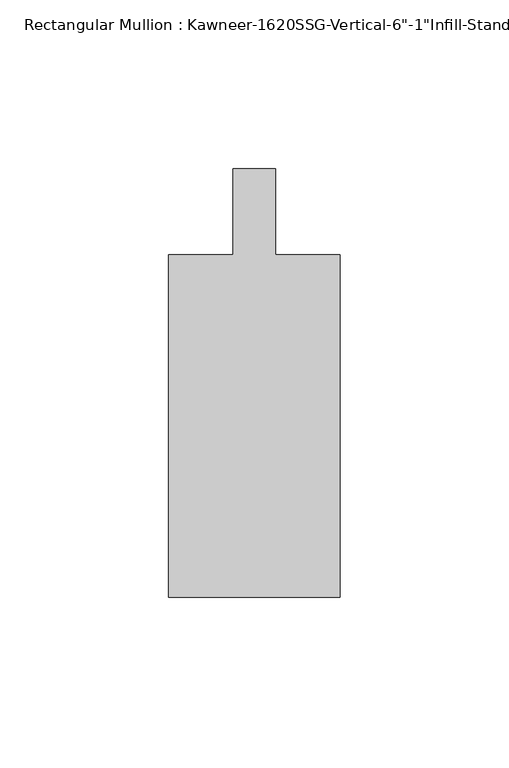
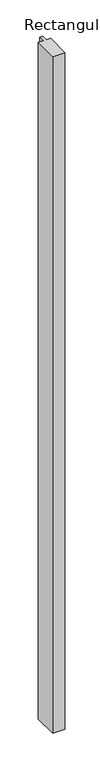
"""IFC4 building model written with IfcOpenShell, lengths in millimetres: member geometry."""

from ifc_helpers import new_model, si_unit, frame, origin, place, context, project, spatial, polyline, outline, extrude, source, transform, mapped, element, save


def member_0cc03f91(model_context):
    return source(origin(), model_context, "Body", "SweptSolid", [
        extrude(outline(polyline([(25.4, -114.3), (-25.4, -114.3), (-25.4, -12.7), (-6.35, -12.7), (-6.35, 12.7), (6.35, 12.7), (6.35, -12.7), (25.4, -12.7), (25.4, -114.3)])), frame((0.0, 0.0, -2959.1), z_axis=(0.0, 0.0, 1.0), x_axis=(1.0, 0.0, 0.0)), (0.0, 0.0, 1.0), 2959.1),
    ])


if __name__ == "__main__":
    model = new_model("IFC4")
    model_context = context("Model", 3, world=origin())
    ifc_project = project(units=[si_unit("LENGTHUNIT", "METRE", prefix="MILLI")], contexts=[model_context])
    site = spatial("IfcSite", under=ifc_project)
    building = spatial("IfcBuilding", under=site)
    placement = place(None, origin())
    member_shape = member_0cc03f91(model_context)
    element("IfcMember", 1, ObjectType="Rectangular Mullion : Kawneer-1620SSG-Vertical-6\"-1\"Infill-Standard", at=placement, inside=building, context=model_context, shape_type="MappedRepresentation", body=[
        mapped(member_shape, transform((0.0, 0.0, 0.0), x_axis=(1.0, 0.0, 0.0), y_axis=(0.0, 1.0, 0.0), z_axis=(0.0, 0.0, 1.0))),
    ])
    save(model, "model.ifc")
